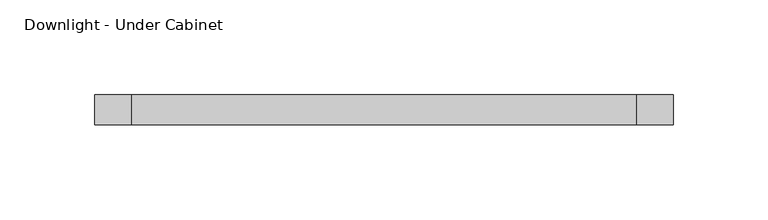
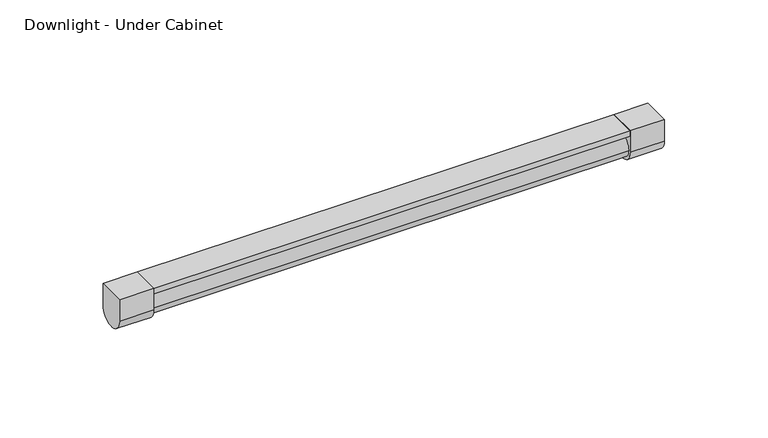
"""IFC4 building model written with IfcOpenShell, lengths in millimetres: light fixture geometry, Downlight - Under Cabinet."""

from ifc_helpers import new_model, si_unit, point, frame, frame_2d, origin, place, context, project, spatial, polyline, circle_curve, trimmed, segment, composite_curve, outline, extrude, source, transform, mapped, element, save


def downlight_under_cabinet_ae631d22(model_context):
    return source(origin(), model_context, "Body", "SweptSolid", [
        extrude(outline(composite_curve([segment(trimmed(circle_curve(frame_2d((0.0, 1358.9)), 6.35), [point((-6.35, 1358.9))], [point((6.35, 1358.9))], False, "CARTESIAN"), True, "CONTINUOUS"), segment(trimmed(circle_curve(frame_2d((0.0, 1358.9)), 6.35), [point((6.35, 1358.9))], [point((-6.35, 1358.9))], False, "CARTESIAN"), True, "CONTINUOUS")], self_intersect=False)), frame((-133.35, 0.0, 0.0), z_axis=(1.0, 0.0, 0.0), x_axis=(0.0, 1.0, 0.0)), (0.0, 0.0, 1.0), 266.7),
        extrude(outline(composite_curve([segment(polyline([(-7.9375, 1371.6), (7.9375, 1371.6), (7.9375, 1358.9)]), True, "CONTINUOUS"), segment(trimmed(circle_curve(frame_2d((0.0, 1358.9)), 7.9375), [point((7.9375, 1358.9))], [point((-7.9375, 1358.9))], False, "CARTESIAN"), True, "CONTINUOUS"), segment(polyline([(-7.9375, 1358.9), (-7.9375, 1371.6)]), True, "CONTINUOUS")], self_intersect=False)), frame((133.35, 0.0, 0.0), z_axis=(1.0, 0.0, 0.0), x_axis=(0.0, 1.0, 0.0)), (0.0, 0.0, 1.0), 19.05),
        extrude(outline(composite_curve([segment(polyline([(7.9375, 1371.6), (7.9375, 1358.9)]), True, "CONTINUOUS"), segment(trimmed(circle_curve(frame_2d((0.0, 1358.9)), 7.9375), [point((7.9375, 1358.9))], [point((-7.9375, 1358.9))], False, "CARTESIAN"), True, "CONTINUOUS"), segment(polyline([(-7.9375, 1358.9), (-7.9375, 1371.6), (7.9375, 1371.6)]), True, "CONTINUOUS")], self_intersect=False)), frame((-152.4, 0.0, 0.0), z_axis=(1.0, 0.0, 0.0), x_axis=(0.0, 1.0, 0.0)), (0.0, 0.0, 1.0), 19.05),
        extrude(outline(polyline([(133.35, 7.9375), (133.35, -7.9375), (-133.35, -7.9375), (-133.35, 7.9375), (133.35, 7.9375)])), frame((0.0, 0.0, 1368.3197499), z_axis=(0.0, 0.0, 1.0), x_axis=(1.0, 0.0, 0.0)), (0.0, 0.0, 1.0), 3.2802501),
    ])


if __name__ == "__main__":
    model = new_model("IFC4")
    model_context = context("Model", 3, world=origin())
    ifc_project = project(units=[si_unit("LENGTHUNIT", "METRE", prefix="MILLI")], contexts=[model_context])
    site = spatial("IfcSite", under=ifc_project)
    building = spatial("IfcBuilding", under=site)
    placement = place(None, origin())
    downlight_under_cabinet_shape = downlight_under_cabinet_ae631d22(model_context)
    element("IfcLightFixture", 1, ObjectType="Downlight - Under Cabinet", at=placement, inside=building, context=model_context, shape_type="MappedRepresentation", body=[
        mapped(downlight_under_cabinet_shape, transform((0.0, 0.0, 0.0), x_axis=(1.0, 0.0, 0.0), y_axis=(0.0, 1.0, 0.0), z_axis=(0.0, 0.0, 1.0))),
    ])
    save(model, "model.ifc")
